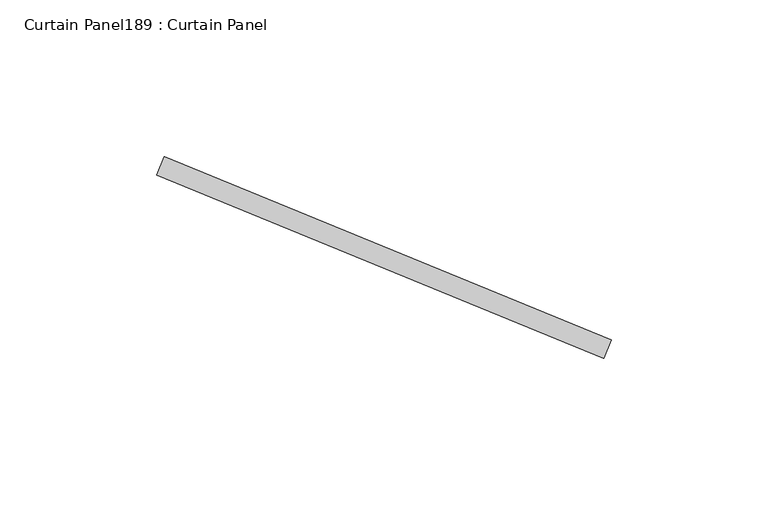
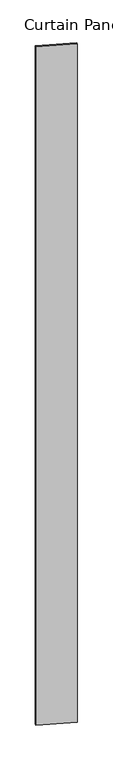
"""IFC4 building model written with IfcOpenShell, lengths in millimetres: plate geometry, Curtain Panel189 : Curtain Panel."""

from ifc_helpers import new_model, si_unit, frame, origin, place, context, project, spatial, polyline, outline, extrude, source, transform, mapped, element, save


def curtain_panel189_curtain_panel_35bb8b65(model_context):
    return source(origin(), model_context, "Body", "SweptSolid", [
        extrude(outline(polyline([(595991.954267, 2953.1022188), (595849.6080286, 3011.5125964), (595852.0186325, 3017.3872443), (595994.364871, 2958.9768668), (595991.954267, 2953.1022188)])), frame((0.0, 0.0, 4959.7989371), z_axis=(0.0, 0.0, 1.0), x_axis=(1.0, 0.0, 0.0)), (0.0, 0.0, 1.0), 3048.0),
    ])


if __name__ == "__main__":
    model = new_model("IFC4")
    model_context = context("Model", 3, world=origin())
    ifc_project = project(units=[si_unit("LENGTHUNIT", "METRE", prefix="MILLI")], contexts=[model_context])
    site = spatial("IfcSite", under=ifc_project)
    building = spatial("IfcBuilding", under=site)
    placement = place(None, origin())
    curtain_panel189_curtain_panel_shape = curtain_panel189_curtain_panel_35bb8b65(model_context)
    element("IfcPlate", 1, ObjectType="Curtain Panel189 : Curtain Panel", at=placement, inside=building, context=model_context, shape_type="MappedRepresentation", body=[
        mapped(curtain_panel189_curtain_panel_shape, transform((0.0, 0.0, 0.0), x_axis=(1.0, 0.0, 0.0), y_axis=(0.0, 1.0, 0.0), z_axis=(0.0, 0.0, 1.0))),
    ])
    save(model, "model.ifc")
